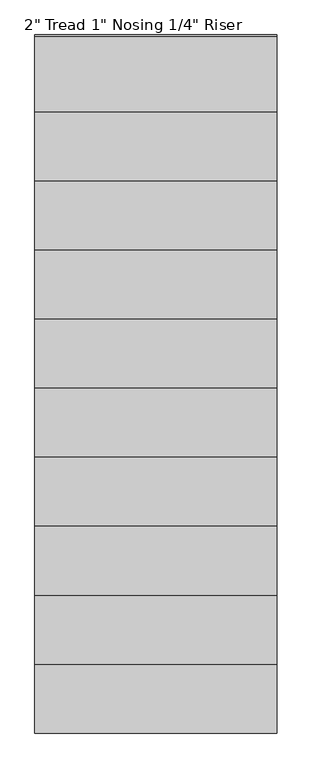
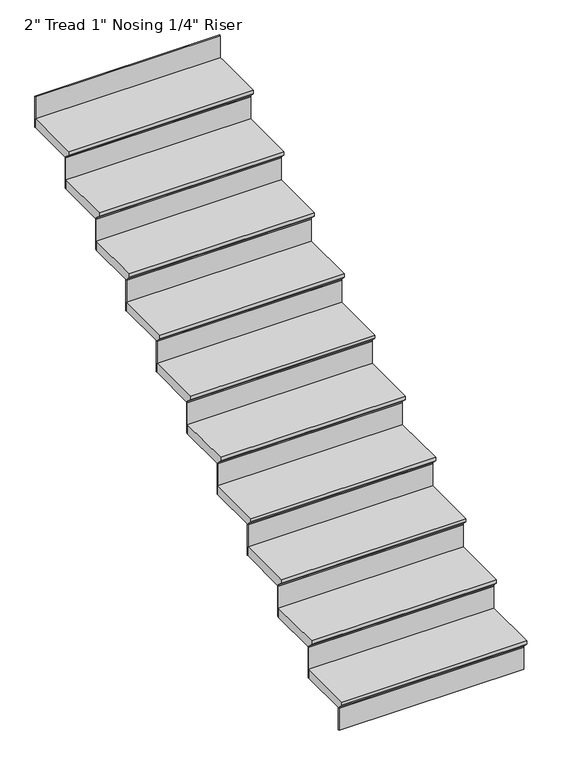
"""IFC4 building model written with IfcOpenShell, lengths in millimetres: stair flight geometry."""

import ifcopenshell
import ifcopenshell.guid

model = None  # the IFC model being written
_history = None  # IfcOwnerHistory: only IFC2X3 demands one
_inside = {}  # id of a spatial element -> (the spatial element, [elements in it])
_under = {}  # id of a project, library or spatial element -> (it, [spatial elements below it])
_declared = {}  # id of a project -> (the project, [libraries it declares])
_typed = {}  # id of a type object -> (the type object, [elements of that type])
_made_of = {}  # id of a material, layer set ... -> (it, [elements and type objects made of it])


def new_model(schema):
    """Start an empty IFC model of exactly this schema.

    Asked for "IFC4X3", IfcOpenShell would pick the latest addendum, in which some entities
    have other attributes; the version numbers below select the first issue.
    IFC2X3 requires an IfcOwnerHistory on every rooted entity: one is made here for all.
    """
    global model, _history
    if schema == "IFC4X3":
        model = ifcopenshell.file(schema_version=(4, 3, 0, 0))
    else:
        model = ifcopenshell.file(schema=schema)
    _inside.clear()
    _under.clear()
    _declared.clear()
    _typed.clear()
    _made_of.clear()
    _history = None
    if model.schema == "IFC2X3":
        org = make("IfcOrganization", Name="unknown")
        user = make(
            "IfcPersonAndOrganization",
            ThePerson=make("IfcPerson", FamilyName="unknown"),
            TheOrganization=org,
        )
        app = make(
            "IfcApplication",
            ApplicationDeveloper=org,
            Version="unknown",
            ApplicationFullName="unknown",
            ApplicationIdentifier="unknown",
        )
        _history = make(
            "IfcOwnerHistory",
            OwningUser=user,
            OwningApplication=app,
            ChangeAction="ADDED",
            CreationDate=0,
        )
    return model


def make(cls, **values):
    """One entity of the class cls with the attributes given. An attribute that is None is left unset."""
    return model.create_entity(
        cls, **{name: value for name, value in values.items() if value is not None}
    )


def rooted(cls, **values):
    """An entity with a GlobalId (a new one), such as an element, a storey or a relation."""
    return make(cls, GlobalId=ifcopenshell.guid.new(), OwnerHistory=_history, **values)


def si_unit(unit_type, name, prefix=None):
    """IfcSIUnit, for example si_unit("LENGTHUNIT", "METRE", prefix="MILLI")."""
    return make("IfcSIUnit", UnitType=unit_type, Prefix=prefix, Name=name)


def assignment(units):
    """IfcUnitAssignment: the units of a project."""
    return None if units is None else make("IfcUnitAssignment", Units=units)


def point(xyz):
    """IfcCartesianPoint."""
    return None if xyz is None else make("IfcCartesianPoint", Coordinates=xyz)


def direction(xyz):
    """IfcDirection."""
    return None if xyz is None else make("IfcDirection", DirectionRatios=xyz)


def frame(location, z_axis=None, x_axis=None):
    """IfcAxis2Placement3D, a coordinate frame: its origin and axes. An axis left out is left unset."""
    return make(
        "IfcAxis2Placement3D",
        Location=point(location),
        Axis=direction(z_axis),
        RefDirection=direction(x_axis),
    )


def origin():
    """The frame at (0, 0, 0) with its axes left unset."""
    return frame((0.0, 0.0, 0.0))


def place(relative_to, where):
    """IfcLocalPlacement: puts the frame where relative to a parent placement (None: the world)."""
    return make(
        "IfcLocalPlacement", PlacementRelTo=relative_to, RelativePlacement=where
    )


def context(
    kind, dimensions, precision=None, world=None, true_north=None, identifier=None
):
    """IfcGeometricRepresentationContext, for example the 3D "Model" context."""
    return make(
        "IfcGeometricRepresentationContext",
        ContextIdentifier=identifier,
        ContextType=kind,
        CoordinateSpaceDimension=dimensions,
        Precision=precision,
        WorldCoordinateSystem=world,
        TrueNorth=true_north,
    )


def project(units=None, contexts=None):
    """IfcProject with its units and contexts."""
    return rooted(
        "IfcProject",
        Name="project",
        RepresentationContexts=contexts,
        UnitsInContext=assignment(units),
    )


def spatial(cls, under=None, at=None, **own):
    """A site, building, storey or space (cls), placed at a placement, below another one or the project."""
    s = rooted(cls, ObjectPlacement=at, **own)
    if under is not None:
        _under.setdefault(under.id(), (under, []))[1].append(s)
    return s


def faces_of(points, faces, orient=None, outer=None):
    """IfcFace entities. A face is a list of loops; a loop is a list of indices into points, from 0.

    orient and outer hold one flag for each loop. By default every Orientation is true, the
    first loop of a face is its IfcFaceOuterBound and the others are IfcFaceBound.
    """
    made = []
    for i, loops in enumerate(faces):
        bounds = []
        for j, loop in enumerate(loops):
            is_outer = j == 0 if outer is None else outer[i][j]
            bounds.append(
                make(
                    "IfcFaceOuterBound" if is_outer else "IfcFaceBound",
                    Bound=make("IfcPolyLoop", Polygon=[points[k] for k in loop]),
                    Orientation=True if orient is None else orient[i][j],
                )
            )
        made.append(make("IfcFace", Bounds=bounds))
    return made


def faceted_brep(points, faces, orient=None, outer=None, voids=None):
    """IfcFacetedBrep: a solid bounded by flat faces; with voids (closed shells), ...WithVoids."""
    shared = [point(p) for p in points]
    hull = make("IfcClosedShell", CfsFaces=faces_of(shared, faces, orient, outer))
    if voids is None:
        return make("IfcFacetedBrep", Outer=hull)
    return make(
        "IfcFacetedBrepWithVoids",
        Outer=hull,
        Voids=[
            make(cls, CfsFaces=faces_of(shared, fs, o, b)) for cls, fs, o, b in voids
        ],
    )


def shape(context_of_items, identifier, shape_type, items):
    """IfcShapeRepresentation: the items that make up one representation, for example the "Body"."""
    return make(
        "IfcShapeRepresentation",
        ContextOfItems=context_of_items,
        RepresentationIdentifier=identifier,
        RepresentationType=shape_type,
        Items=items,
    )


def source(mapping_origin, context_of_items, identifier, shape_type, items):
    """IfcRepresentationMap: a shape defined once, which mapped items show again and again."""
    return make(
        "IfcRepresentationMap",
        MappingOrigin=mapping_origin,
        MappedRepresentation=shape(context_of_items, identifier, shape_type, items),
    )


def transform(
    local_origin,
    x_axis=None,
    y_axis=None,
    z_axis=None,
    scale=None,
    scale2=None,
    scale3=None,
    uniform=True,
):
    """IfcCartesianTransformationOperator3D, or its non-uniform kind. x_axis, y_axis, z_axis: its Axis1, 2, 3."""
    if uniform:
        return make(
            "IfcCartesianTransformationOperator3D",
            Axis1=direction(x_axis),
            Axis2=direction(y_axis),
            LocalOrigin=point(local_origin),
            Scale=scale,
            Axis3=direction(z_axis),
        )
    return make(
        "IfcCartesianTransformationOperator3DnonUniform",
        Axis1=direction(x_axis),
        Axis2=direction(y_axis),
        LocalOrigin=point(local_origin),
        Scale=scale,
        Axis3=direction(z_axis),
        Scale2=scale2,
        Scale3=scale3,
    )


def mapped(mapping_source, mapping_target):
    """IfcMappedItem: shows the shape of a source again, moved by a transform."""
    return make(
        "IfcMappedItem", MappingSource=mapping_source, MappingTarget=mapping_target
    )


def made_of(thing, what):
    """Note that an element or type object is made of a material, layer set ...; save() writes the relation."""
    if what is not None:
        _made_of.setdefault(what.id(), (what, []))[1].append(thing)
    return thing


def element(
    cls,
    number,
    at=None,
    inside=None,
    cuts=None,
    type_object=None,
    material=None,
    context=None,
    identifier="Body",
    shape_type=None,
    held_by="IfcProductDefinitionShape",
    body=None,
    shapes=None,
    **own,
):
    """One element of the class cls, such as IfcWall. Its Tag is "e" and its number.

    at: its placement. inside: the storey or other place that contains it. cuts: it is an
    opening in that element (IfcRelVoidsElement). A single representation is given by context,
    identifier, shape_type and body (its items); several are given by shapes. held_by: the class
    of the entity that holds the representations. save() writes the other relations.
    """
    e = rooted(cls, Tag="e%d" % number, ObjectPlacement=at, **own)
    if body is not None:
        shapes = [shape(context, identifier, shape_type, body)]
    if shapes is not None:
        e.Representation = make(held_by, Representations=shapes)
    if inside is not None:
        _inside.setdefault(inside.id(), (inside, []))[1].append(e)
    if cuts is not None:
        rooted(
            "IfcRelVoidsElement", RelatingBuildingElement=cuts, RelatedOpeningElement=e
        )
    if type_object is not None:
        _typed.setdefault(type_object.id(), (type_object, []))[1].append(e)
    return made_of(e, material)


def aggregate(whole, parts):
    """IfcRelAggregates: a whole, such as a stair, and the parts it consists of."""
    return rooted("IfcRelAggregates", RelatingObject=whole, RelatedObjects=parts)


def save(model, path):
    """Write the relations noted so far, then the file.

    IfcRelAggregates (storeys below a building ...), IfcRelContainedInSpatialStructure (elements
    in a storey), IfcRelDefinesByType, IfcRelAssociatesMaterial and IfcRelDeclares: one each for
    every whole, place, type object, material and project.
    """
    for whole, parts in _under.values():
        aggregate(whole, parts)
    for where, things in _inside.values():
        rooted(
            "IfcRelContainedInSpatialStructure",
            RelatedElements=things,
            RelatingStructure=where,
        )
    for kind, things in _typed.values():
        rooted("IfcRelDefinesByType", RelatedObjects=things, RelatingType=kind)
    for what, things in _made_of.values():
        rooted("IfcRelAssociatesMaterial", RelatedObjects=things, RelatingMaterial=what)
    for by, libraries in _declared.values():
        rooted("IfcRelDeclares", RelatingContext=by, RelatedDefinitions=libraries)
    model.write(path)


def stair_flight_fb0abd85(model_context):
    return source(origin(), model_context, "Body", "Brep", [
        faceted_brep([(7524.3171784, 2625.4460566, 36292.9714286), (8505.8069555, 2625.4460566, 36292.9714286), (8505.8069555, 2930.2460566, 36292.9714286), (7524.3171784, 2930.2460566, 36292.9714286), (7524.3171784, 2650.8460566, 36242.1714286), (7524.3171784, 2930.2460566, 36242.1714286), (8505.8069555, 2930.2460566, 36242.1714286), (8505.8069555, 2650.8460566, 36242.1714286), (7524.3171784, 2650.8460566, 36248.5214286), (7524.3171784, 2625.4460566, 36273.9214286), (8505.8069555, 2650.8460566, 36248.5214286), (8505.8069555, 2625.4460566, 36273.9214286)], [[[0, 1, 2, 3]], [[4, 5, 6, 7]], [[0, 3, 5, 4, 8, 9]], [[4, 7, 10, 8]], [[2, 1, 11, 10, 7, 6]], [[3, 2, 6, 5]], [[11, 1, 0, 9]], [[10, 11, 9, 8]]]),
        faceted_brep([(8505.8069555, 2650.8460566, 36242.1714286), (8505.8069555, 2650.8460566, 36118.8), (8505.8069555, 2657.1960566, 36118.8), (8505.8069555, 2657.1960566, 36242.1714286), (7524.3171784, 2650.8460566, 36242.1714286), (7524.3171784, 2657.1960566, 36242.1714286), (7524.3171784, 2657.1960566, 36118.8), (7524.3171784, 2650.8460566, 36118.8)], [[[0, 1, 2, 3]], [[4, 5, 6, 7]], [[1, 0, 4, 7]], [[2, 1, 7, 6]], [[3, 2, 6, 5]], [[0, 3, 5, 4]]]),
        faceted_brep([(7524.3171784, 2904.8460566, 36467.1428571), (8505.8069555, 2904.8460566, 36467.1428571), (8505.8069555, 3209.6460566, 36467.1428571), (7524.3171784, 3209.6460566, 36467.1428571), (7524.3171784, 2930.2460566, 36416.3428571), (7524.3171784, 3209.6460566, 36416.3428571), (8505.8069555, 3209.6460566, 36416.3428571), (8505.8069555, 2930.2460566, 36416.3428571), (7524.3171784, 2930.2460566, 36422.6928571), (7524.3171784, 2904.8460566, 36448.0928571), (8505.8069555, 2930.2460566, 36422.6928571), (8505.8069555, 2904.8460566, 36448.0928571)], [[[0, 1, 2, 3]], [[4, 5, 6, 7]], [[0, 3, 5, 4, 8, 9]], [[4, 7, 10, 8]], [[2, 1, 11, 10, 7, 6]], [[3, 2, 6, 5]], [[11, 1, 0, 9]], [[10, 11, 9, 8]]]),
        faceted_brep([(8505.8069555, 2930.2460566, 36416.3428571), (8505.8069555, 2930.2460566, 36242.1714286), (8505.8069555, 2936.5960566, 36242.1714286), (8505.8069555, 2936.5960566, 36416.3428571), (7524.3171784, 2930.2460566, 36416.3428571), (7524.3171784, 2936.5960566, 36416.3428571), (7524.3171784, 2936.5960566, 36242.1714286), (7524.3171784, 2930.2460566, 36242.1714286)], [[[0, 1, 2, 3]], [[4, 5, 6, 7]], [[1, 0, 4, 7]], [[2, 1, 7, 6]], [[3, 2, 6, 5]], [[0, 3, 5, 4]]]),
        faceted_brep([(7524.3171784, 3184.2460566, 36641.3142857), (8505.8069555, 3184.2460566, 36641.3142857), (8505.8069555, 3489.0460566, 36641.3142857), (7524.3171784, 3489.0460566, 36641.3142857), (7524.3171784, 3209.6460566, 36590.5142857), (7524.3171784, 3489.0460566, 36590.5142857), (8505.8069555, 3489.0460566, 36590.5142857), (8505.8069555, 3209.6460566, 36590.5142857), (7524.3171784, 3209.6460566, 36596.8642857), (7524.3171784, 3184.2460566, 36622.2642857), (8505.8069555, 3209.6460566, 36596.8642857), (8505.8069555, 3184.2460566, 36622.2642857)], [[[0, 1, 2, 3]], [[4, 5, 6, 7]], [[0, 3, 5, 4, 8, 9]], [[4, 7, 10, 8]], [[2, 1, 11, 10, 7, 6]], [[3, 2, 6, 5]], [[11, 1, 0, 9]], [[10, 11, 9, 8]]]),
        faceted_brep([(8505.8069555, 3209.6460566, 36590.5142857), (8505.8069555, 3209.6460566, 36416.3428571), (8505.8069555, 3215.9960566, 36416.3428571), (8505.8069555, 3215.9960566, 36590.5142857), (7524.3171784, 3209.6460566, 36590.5142857), (7524.3171784, 3215.9960566, 36590.5142857), (7524.3171784, 3215.9960566, 36416.3428571), (7524.3171784, 3209.6460566, 36416.3428571)], [[[0, 1, 2, 3]], [[4, 5, 6, 7]], [[1, 0, 4, 7]], [[2, 1, 7, 6]], [[3, 2, 6, 5]], [[0, 3, 5, 4]]]),
        faceted_brep([(7524.3171784, 3463.6460566, 36815.4857143), (8505.8069555, 3463.6460566, 36815.4857143), (8505.8069555, 3768.4460566, 36815.4857143), (7524.3171784, 3768.4460566, 36815.4857143), (7524.3171784, 3489.0460566, 36764.6857143), (7524.3171784, 3768.4460566, 36764.6857143), (8505.8069555, 3768.4460566, 36764.6857143), (8505.8069555, 3489.0460566, 36764.6857143), (7524.3171784, 3489.0460566, 36771.0357143), (7524.3171784, 3463.6460566, 36796.4357143), (8505.8069555, 3489.0460566, 36771.0357143), (8505.8069555, 3463.6460566, 36796.4357143)], [[[0, 1, 2, 3]], [[4, 5, 6, 7]], [[0, 3, 5, 4, 8, 9]], [[4, 7, 10, 8]], [[2, 1, 11, 10, 7, 6]], [[3, 2, 6, 5]], [[11, 1, 0, 9]], [[10, 11, 9, 8]]]),
        faceted_brep([(8505.8069555, 3489.0460566, 36764.6857143), (8505.8069555, 3489.0460566, 36590.5142857), (8505.8069555, 3495.3960566, 36590.5142857), (8505.8069555, 3495.3960566, 36764.6857143), (7524.3171784, 3489.0460566, 36764.6857143), (7524.3171784, 3495.3960566, 36764.6857143), (7524.3171784, 3495.3960566, 36590.5142857), (7524.3171784, 3489.0460566, 36590.5142857)], [[[0, 1, 2, 3]], [[4, 5, 6, 7]], [[1, 0, 4, 7]], [[2, 1, 7, 6]], [[3, 2, 6, 5]], [[0, 3, 5, 4]]]),
        faceted_brep([(7524.3171784, 3743.0460566, 36989.6571429), (8505.8069555, 3743.0460566, 36989.6571429), (8505.8069555, 4047.8460566, 36989.6571429), (7524.3171784, 4047.8460566, 36989.6571429), (7524.3171784, 3768.4460566, 36938.8571429), (7524.3171784, 4047.8460566, 36938.8571429), (8505.8069555, 4047.8460566, 36938.8571429), (8505.8069555, 3768.4460566, 36938.8571429), (7524.3171784, 3768.4460566, 36945.2071429), (7524.3171784, 3743.0460566, 36970.6071429), (8505.8069555, 3768.4460566, 36945.2071429), (8505.8069555, 3743.0460566, 36970.6071429)], [[[0, 1, 2, 3]], [[4, 5, 6, 7]], [[0, 3, 5, 4, 8, 9]], [[4, 7, 10, 8]], [[2, 1, 11, 10, 7, 6]], [[3, 2, 6, 5]], [[11, 1, 0, 9]], [[10, 11, 9, 8]]]),
        faceted_brep([(8505.8069555, 3768.4460566, 36938.8571429), (8505.8069555, 3768.4460566, 36764.6857143), (8505.8069555, 3774.7960566, 36764.6857143), (8505.8069555, 3774.7960566, 36938.8571429), (7524.3171784, 3768.4460566, 36938.8571429), (7524.3171784, 3774.7960566, 36938.8571429), (7524.3171784, 3774.7960566, 36764.6857143), (7524.3171784, 3768.4460566, 36764.6857143)], [[[0, 1, 2, 3]], [[4, 5, 6, 7]], [[1, 0, 4, 7]], [[2, 1, 7, 6]], [[3, 2, 6, 5]], [[0, 3, 5, 4]]]),
        faceted_brep([(7524.3171784, 4022.4460566, 37163.8285714), (8505.8069555, 4022.4460566, 37163.8285714), (8505.8069555, 4327.2460566, 37163.8285714), (7524.3171784, 4327.2460566, 37163.8285714), (7524.3171784, 4047.8460566, 37113.0285714), (7524.3171784, 4327.2460566, 37113.0285714), (8505.8069555, 4327.2460566, 37113.0285714), (8505.8069555, 4047.8460566, 37113.0285714), (7524.3171784, 4047.8460566, 37119.3785714), (7524.3171784, 4022.4460566, 37144.7785714), (8505.8069555, 4047.8460566, 37119.3785714), (8505.8069555, 4022.4460566, 37144.7785714)], [[[0, 1, 2, 3]], [[4, 5, 6, 7]], [[0, 3, 5, 4, 8, 9]], [[4, 7, 10, 8]], [[2, 1, 11, 10, 7, 6]], [[3, 2, 6, 5]], [[11, 1, 0, 9]], [[10, 11, 9, 8]]]),
        faceted_brep([(8505.8069555, 4047.8460566, 37113.0285714), (8505.8069555, 4047.8460566, 36938.8571429), (8505.8069555, 4054.1960566, 36938.8571429), (8505.8069555, 4054.1960566, 37113.0285714), (7524.3171784, 4047.8460566, 37113.0285714), (7524.3171784, 4054.1960566, 37113.0285714), (7524.3171784, 4054.1960566, 36938.8571429), (7524.3171784, 4047.8460566, 36938.8571429)], [[[0, 1, 2, 3]], [[4, 5, 6, 7]], [[1, 0, 4, 7]], [[2, 1, 7, 6]], [[3, 2, 6, 5]], [[0, 3, 5, 4]]]),
        faceted_brep([(7524.3171784, 4301.8460566, 37338.0), (8505.8069555, 4301.8460566, 37338.0), (8505.8069555, 4606.6460566, 37338.0), (7524.3171784, 4606.6460566, 37338.0), (7524.3171784, 4327.2460566, 37287.2), (7524.3171784, 4606.6460566, 37287.2), (8505.8069555, 4606.6460566, 37287.2), (8505.8069555, 4327.2460566, 37287.2), (7524.3171784, 4327.2460566, 37293.55), (7524.3171784, 4301.8460566, 37318.95), (8505.8069555, 4327.2460566, 37293.55), (8505.8069555, 4301.8460566, 37318.95)], [[[0, 1, 2, 3]], [[4, 5, 6, 7]], [[0, 3, 5, 4, 8, 9]], [[4, 7, 10, 8]], [[2, 1, 11, 10, 7, 6]], [[3, 2, 6, 5]], [[11, 1, 0, 9]], [[10, 11, 9, 8]]]),
        faceted_brep([(8505.8069555, 4327.2460566, 37287.2), (8505.8069555, 4327.2460566, 37113.0285714), (8505.8069555, 4333.5960566, 37113.0285714), (8505.8069555, 4333.5960566, 37287.2), (7524.3171784, 4327.2460566, 37287.2), (7524.3171784, 4333.5960566, 37287.2), (7524.3171784, 4333.5960566, 37113.0285714), (7524.3171784, 4327.2460566, 37113.0285714)], [[[0, 1, 2, 3]], [[4, 5, 6, 7]], [[1, 0, 4, 7]], [[2, 1, 7, 6]], [[3, 2, 6, 5]], [[0, 3, 5, 4]]]),
        faceted_brep([(7524.3171784, 4581.2460566, 37512.1714286), (8505.8069555, 4581.2460566, 37512.1714286), (8505.8069555, 4886.0460566, 37512.1714286), (7524.3171784, 4886.0460566, 37512.1714286), (7524.3171784, 4606.6460566, 37461.3714286), (7524.3171784, 4886.0460566, 37461.3714286), (8505.8069555, 4886.0460566, 37461.3714286), (8505.8069555, 4606.6460566, 37461.3714286), (7524.3171784, 4606.6460566, 37467.7214286), (7524.3171784, 4581.2460566, 37493.1214286), (8505.8069555, 4606.6460566, 37467.7214286), (8505.8069555, 4581.2460566, 37493.1214286)], [[[0, 1, 2, 3]], [[4, 5, 6, 7]], [[0, 3, 5, 4, 8, 9]], [[4, 7, 10, 8]], [[2, 1, 11, 10, 7, 6]], [[3, 2, 6, 5]], [[11, 1, 0, 9]], [[10, 11, 9, 8]]]),
        faceted_brep([(8505.8069555, 4606.6460566, 37461.3714286), (8505.8069555, 4606.6460566, 37287.2), (8505.8069555, 4612.9960566, 37287.2), (8505.8069555, 4612.9960566, 37461.3714286), (7524.3171784, 4606.6460566, 37461.3714286), (7524.3171784, 4612.9960566, 37461.3714286), (7524.3171784, 4612.9960566, 37287.2), (7524.3171784, 4606.6460566, 37287.2)], [[[0, 1, 2, 3]], [[4, 5, 6, 7]], [[1, 0, 4, 7]], [[2, 1, 7, 6]], [[3, 2, 6, 5]], [[0, 3, 5, 4]]]),
        faceted_brep([(7524.3171784, 4860.6460566, 37686.3428571), (8505.8069555, 4860.6460566, 37686.3428571), (8505.8069555, 5165.4460566, 37686.3428571), (7524.3171784, 5165.4460566, 37686.3428571), (7524.3171784, 4886.0460566, 37635.5428571), (7524.3171784, 5165.4460566, 37635.5428571), (8505.8069555, 5165.4460566, 37635.5428571), (8505.8069555, 4886.0460566, 37635.5428571), (7524.3171784, 4886.0460566, 37641.8928571), (7524.3171784, 4860.6460566, 37667.2928571), (8505.8069555, 4886.0460566, 37641.8928571), (8505.8069555, 4860.6460566, 37667.2928571)], [[[0, 1, 2, 3]], [[4, 5, 6, 7]], [[0, 3, 5, 4, 8, 9]], [[4, 7, 10, 8]], [[2, 1, 11, 10, 7, 6]], [[3, 2, 6, 5]], [[11, 1, 0, 9]], [[10, 11, 9, 8]]]),
        faceted_brep([(8505.8069555, 4886.0460566, 37635.5428571), (8505.8069555, 4886.0460566, 37461.3714286), (8505.8069555, 4892.3960566, 37461.3714286), (8505.8069555, 4892.3960566, 37635.5428571), (7524.3171784, 4886.0460566, 37635.5428571), (7524.3171784, 4892.3960566, 37635.5428571), (7524.3171784, 4892.3960566, 37461.3714286), (7524.3171784, 4886.0460566, 37461.3714286)], [[[0, 1, 2, 3]], [[4, 5, 6, 7]], [[1, 0, 4, 7]], [[2, 1, 7, 6]], [[3, 2, 6, 5]], [[0, 3, 5, 4]]]),
        faceted_brep([(7524.3171784, 5140.0460566, 37860.5142857), (8505.8069555, 5140.0460566, 37860.5142857), (8505.8069555, 5419.4460566, 37860.5142857), (8505.8069555, 5444.8460566, 37860.5142857), (7524.3171784, 5444.8460566, 37860.5142857), (7524.3171784, 5165.4460566, 37809.7142857), (7524.3171784, 5444.8460566, 37809.7142857), (8505.8069555, 5444.8460566, 37809.7142857), (8505.8069555, 5419.4460566, 37809.7142857), (8505.8069555, 5165.4460566, 37809.7142857), (7524.3171784, 5165.4460566, 37816.0642857), (7524.3171784, 5140.0460566, 37841.4642857), (8505.8069555, 5165.4460566, 37816.0642857), (8505.8069555, 5140.0460566, 37841.4642857)], [[[0, 1, 2, 3, 4]], [[5, 6, 7, 8, 9]], [[0, 4, 6, 5, 10, 11]], [[5, 9, 12, 10]], [[2, 1, 13, 12, 9, 8]], [[4, 3, 7, 6]], [[13, 1, 0, 11]], [[12, 13, 11, 10]], [[3, 2, 8, 7]]]),
        faceted_brep([(8505.8069555, 5165.4460566, 37809.7142857), (8505.8069555, 5165.4460566, 37635.5428571), (8505.8069555, 5171.7960566, 37635.5428571), (8505.8069555, 5171.7960566, 37809.7142857), (7524.3171784, 5165.4460566, 37809.7142857), (7524.3171784, 5171.7960566, 37809.7142857), (7524.3171784, 5171.7960566, 37635.5428571), (7524.3171784, 5165.4460566, 37635.5428571)], [[[0, 1, 2, 3]], [[4, 5, 6, 7]], [[1, 0, 4, 7]], [[2, 1, 7, 6]], [[3, 2, 6, 5]], [[0, 3, 5, 4]]]),
        faceted_brep([(8505.8069555, 5444.8460566, 37983.8857143), (8505.8069555, 5444.8460566, 37809.7142857), (8505.8069555, 5451.1960566, 37809.7142857), (8505.8069555, 5451.1960566, 37983.8857143), (7524.3171784, 5444.8460566, 37983.8857143), (7524.3171784, 5451.1960566, 37983.8857143), (7524.3171784, 5451.1960566, 37809.7142857), (7524.3171784, 5444.8460566, 37809.7142857)], [[[0, 1, 2, 3]], [[4, 5, 6, 7]], [[1, 0, 4, 7]], [[2, 1, 7, 6]], [[3, 2, 6, 5]], [[0, 3, 5, 4]]]),
    ])


if __name__ == "__main__":
    model = new_model("IFC4")
    model_context = context("Model", 3, world=origin())
    ifc_project = project(units=[si_unit("LENGTHUNIT", "METRE", prefix="MILLI")], contexts=[model_context])
    site = spatial("IfcSite", under=ifc_project)
    building = spatial("IfcBuilding", under=site)
    placement = place(None, origin())
    stair_flight_shape = stair_flight_fb0abd85(model_context)
    element("IfcStairFlight", 1, ObjectType="2\" Tread 1\" Nosing 1/4\" Riser", at=placement, inside=building, context=model_context, shape_type="MappedRepresentation", body=[
        mapped(stair_flight_shape, transform((0.0, 0.0, 0.0), x_axis=(1.0, 0.0, 0.0), y_axis=(0.0, 1.0, 0.0), z_axis=(0.0, 0.0, 1.0))),
    ])
    save(model, "model.ifc")
